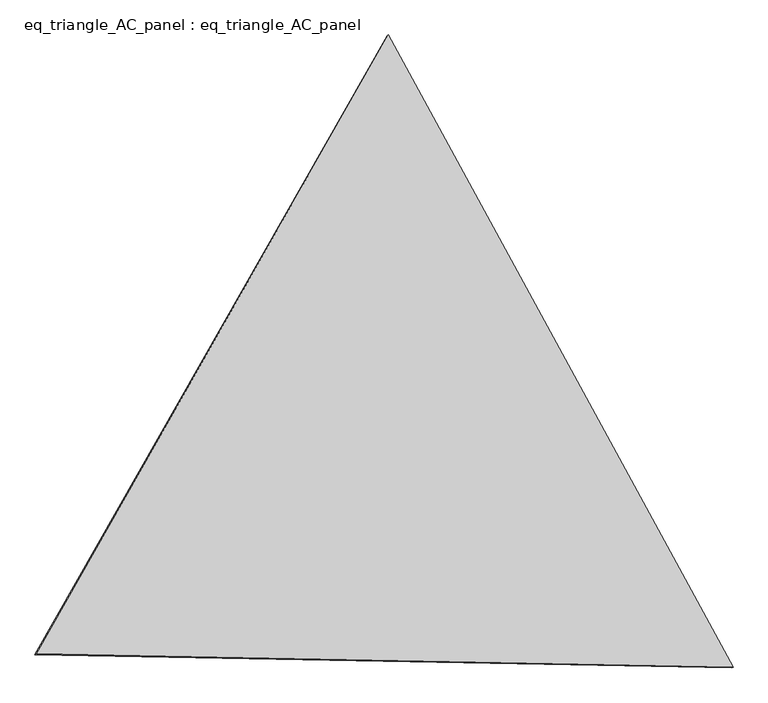
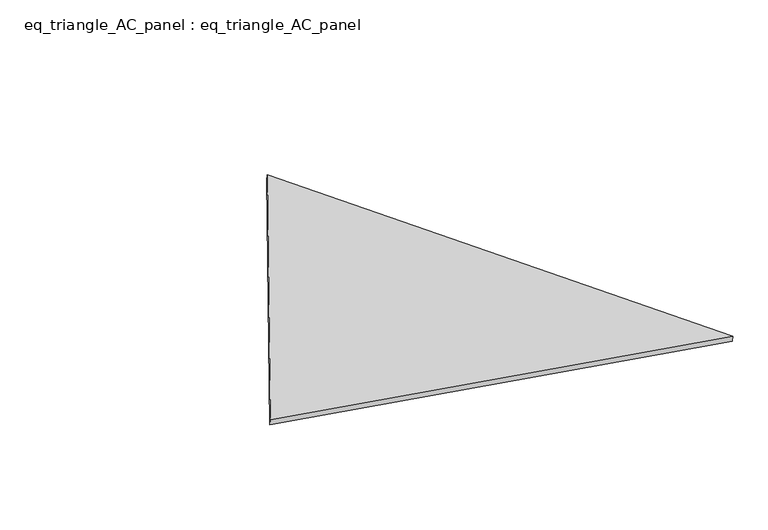
"""IFC4 building model written with IfcOpenShell, lengths in millimetres: proxy geometry, eq_triangle_AC_panel : eq_triangle_AC_panel."""

from ifc_helpers import new_model, si_unit, frame, origin, place, context, project, spatial, polyline, outline, extrude, source, transform, mapped, element, save


def eq_triangle_ac_panel_eq_triangle_ac_panel_e9fc9c26(model_context):
    return source(origin(), model_context, "Body", "SweptSolid", [
        extrude(outline(polyline([(-2091.2678281, 1173.1712295), (2032.847065, 1173.1712294), (58.420763, -2346.342459), (-2091.2678281, 1173.1712295)])), frame((0.0038051, 527.9290861, 89.8240019), z_axis=(0.1452632851805972, 0.08386570282047809, 0.9858321976223783), x_axis=(0.47859711926730786, -0.8780247070049593, 0.004172687130626384)), (0.0, 0.0, 1.0), 43.8306294),
    ])


if __name__ == "__main__":
    model = new_model("IFC4")
    model_context = context("Model", 3, world=origin())
    ifc_project = project(units=[si_unit("LENGTHUNIT", "METRE", prefix="MILLI")], contexts=[model_context])
    site = spatial("IfcSite", under=ifc_project)
    building = spatial("IfcBuilding", under=site)
    placement = place(None, origin())
    eq_triangle_ac_panel_eq_triangle_ac_panel_shape = eq_triangle_ac_panel_eq_triangle_ac_panel_e9fc9c26(model_context)
    element("IfcBuildingElementProxy", 1, Name="eq_triangle_AC_panel : eq_triangle_AC_panel", ObjectType="eq_triangle_AC_panel : eq_triangle_AC_panel", at=placement, inside=building, context=model_context, shape_type="MappedRepresentation", body=[
        mapped(eq_triangle_ac_panel_eq_triangle_ac_panel_shape, transform((0.0, 0.0, 0.0), x_axis=(1.0, 0.0, 0.0), y_axis=(0.0, 1.0, 0.0), z_axis=(0.0, 0.0, 1.0))),
    ])
    save(model, "model.ifc")
